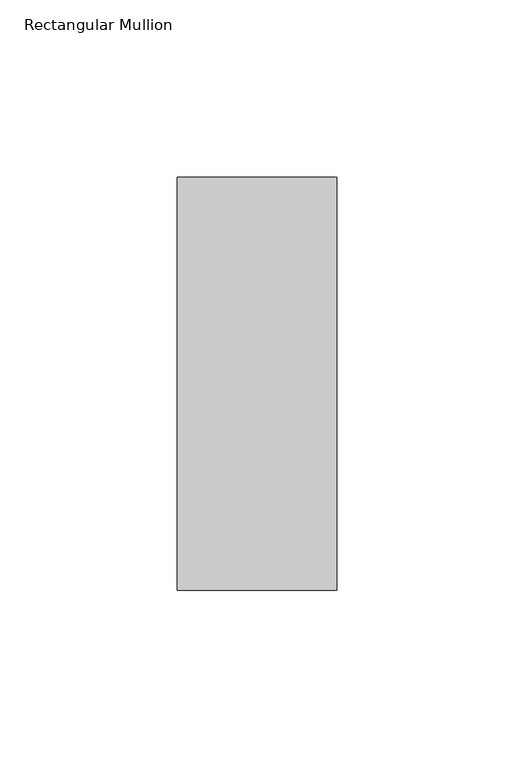
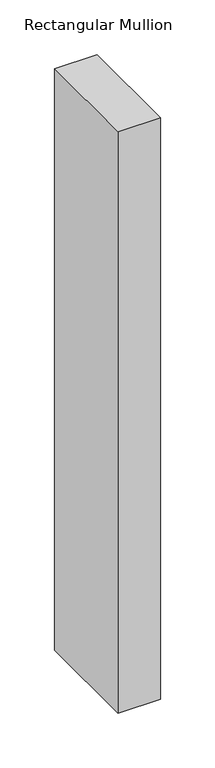
"""IFC4 building model written with IfcOpenShell, lengths in millimetres: member geometry, Rectangular Mullion."""

import ifcopenshell
import ifcopenshell.guid

model = None  # the IFC model being written
_history = None  # IfcOwnerHistory: only IFC2X3 demands one
_inside = {}  # id of a spatial element -> (the spatial element, [elements in it])
_under = {}  # id of a project, library or spatial element -> (it, [spatial elements below it])
_declared = {}  # id of a project -> (the project, [libraries it declares])
_typed = {}  # id of a type object -> (the type object, [elements of that type])
_made_of = {}  # id of a material, layer set ... -> (it, [elements and type objects made of it])


def new_model(schema):
    """Start an empty IFC model of exactly this schema.

    Asked for "IFC4X3", IfcOpenShell would pick the latest addendum, in which some entities
    have other attributes; the version numbers below select the first issue.
    IFC2X3 requires an IfcOwnerHistory on every rooted entity: one is made here for all.
    """
    global model, _history
    if schema == "IFC4X3":
        model = ifcopenshell.file(schema_version=(4, 3, 0, 0))
    else:
        model = ifcopenshell.file(schema=schema)
    _inside.clear()
    _under.clear()
    _declared.clear()
    _typed.clear()
    _made_of.clear()
    _history = None
    if model.schema == "IFC2X3":
        org = make("IfcOrganization", Name="unknown")
        user = make(
            "IfcPersonAndOrganization",
            ThePerson=make("IfcPerson", FamilyName="unknown"),
            TheOrganization=org,
        )
        app = make(
            "IfcApplication",
            ApplicationDeveloper=org,
            Version="unknown",
            ApplicationFullName="unknown",
            ApplicationIdentifier="unknown",
        )
        _history = make(
            "IfcOwnerHistory",
            OwningUser=user,
            OwningApplication=app,
            ChangeAction="ADDED",
            CreationDate=0,
        )
    return model


def make(cls, **values):
    """One entity of the class cls with the attributes given. An attribute that is None is left unset."""
    return model.create_entity(
        cls, **{name: value for name, value in values.items() if value is not None}
    )


def rooted(cls, **values):
    """An entity with a GlobalId (a new one), such as an element, a storey or a relation."""
    return make(cls, GlobalId=ifcopenshell.guid.new(), OwnerHistory=_history, **values)


def si_unit(unit_type, name, prefix=None):
    """IfcSIUnit, for example si_unit("LENGTHUNIT", "METRE", prefix="MILLI")."""
    return make("IfcSIUnit", UnitType=unit_type, Prefix=prefix, Name=name)


def assignment(units):
    """IfcUnitAssignment: the units of a project."""
    return None if units is None else make("IfcUnitAssignment", Units=units)


def point(xyz):
    """IfcCartesianPoint."""
    return None if xyz is None else make("IfcCartesianPoint", Coordinates=xyz)


def direction(xyz):
    """IfcDirection."""
    return None if xyz is None else make("IfcDirection", DirectionRatios=xyz)


def frame(location, z_axis=None, x_axis=None):
    """IfcAxis2Placement3D, a coordinate frame: its origin and axes. An axis left out is left unset."""
    return make(
        "IfcAxis2Placement3D",
        Location=point(location),
        Axis=direction(z_axis),
        RefDirection=direction(x_axis),
    )


def origin():
    """The frame at (0, 0, 0) with its axes left unset."""
    return frame((0.0, 0.0, 0.0))


def place(relative_to, where):
    """IfcLocalPlacement: puts the frame where relative to a parent placement (None: the world)."""
    return make(
        "IfcLocalPlacement", PlacementRelTo=relative_to, RelativePlacement=where
    )


def context(
    kind, dimensions, precision=None, world=None, true_north=None, identifier=None
):
    """IfcGeometricRepresentationContext, for example the 3D "Model" context."""
    return make(
        "IfcGeometricRepresentationContext",
        ContextIdentifier=identifier,
        ContextType=kind,
        CoordinateSpaceDimension=dimensions,
        Precision=precision,
        WorldCoordinateSystem=world,
        TrueNorth=true_north,
    )


def project(units=None, contexts=None):
    """IfcProject with its units and contexts."""
    return rooted(
        "IfcProject",
        Name="project",
        RepresentationContexts=contexts,
        UnitsInContext=assignment(units),
    )


def spatial(cls, under=None, at=None, **own):
    """A site, building, storey or space (cls), placed at a placement, below another one or the project."""
    s = rooted(cls, ObjectPlacement=at, **own)
    if under is not None:
        _under.setdefault(under.id(), (under, []))[1].append(s)
    return s


def polyline(points):
    """IfcPolyline through the points."""
    return make("IfcPolyline", Points=[point(p) for p in points])


def outline(outer, holes=None, kind="AREA"):
    """IfcArbitraryClosedProfileDef: a profile drawn as a closed curve; with holes, ...WithVoids."""
    if holes is None:
        return make("IfcArbitraryClosedProfileDef", ProfileType=kind, OuterCurve=outer)
    return make(
        "IfcArbitraryProfileDefWithVoids",
        ProfileType=kind,
        OuterCurve=outer,
        InnerCurves=holes,
    )


def extrude(swept, where, along, depth):
    """IfcExtrudedAreaSolid: the profile swept, set in the frame where, extruded along a direction by depth."""
    return make(
        "IfcExtrudedAreaSolid",
        SweptArea=swept,
        Position=where,
        ExtrudedDirection=direction(along),
        Depth=depth,
    )


def shape(context_of_items, identifier, shape_type, items):
    """IfcShapeRepresentation: the items that make up one representation, for example the "Body"."""
    return make(
        "IfcShapeRepresentation",
        ContextOfItems=context_of_items,
        RepresentationIdentifier=identifier,
        RepresentationType=shape_type,
        Items=items,
    )


def source(mapping_origin, context_of_items, identifier, shape_type, items):
    """IfcRepresentationMap: a shape defined once, which mapped items show again and again."""
    return make(
        "IfcRepresentationMap",
        MappingOrigin=mapping_origin,
        MappedRepresentation=shape(context_of_items, identifier, shape_type, items),
    )


def transform(
    local_origin,
    x_axis=None,
    y_axis=None,
    z_axis=None,
    scale=None,
    scale2=None,
    scale3=None,
    uniform=True,
):
    """IfcCartesianTransformationOperator3D, or its non-uniform kind. x_axis, y_axis, z_axis: its Axis1, 2, 3."""
    if uniform:
        return make(
            "IfcCartesianTransformationOperator3D",
            Axis1=direction(x_axis),
            Axis2=direction(y_axis),
            LocalOrigin=point(local_origin),
            Scale=scale,
            Axis3=direction(z_axis),
        )
    return make(
        "IfcCartesianTransformationOperator3DnonUniform",
        Axis1=direction(x_axis),
        Axis2=direction(y_axis),
        LocalOrigin=point(local_origin),
        Scale=scale,
        Axis3=direction(z_axis),
        Scale2=scale2,
        Scale3=scale3,
    )


def mapped(mapping_source, mapping_target):
    """IfcMappedItem: shows the shape of a source again, moved by a transform."""
    return make(
        "IfcMappedItem", MappingSource=mapping_source, MappingTarget=mapping_target
    )


def made_of(thing, what):
    """Note that an element or type object is made of a material, layer set ...; save() writes the relation."""
    if what is not None:
        _made_of.setdefault(what.id(), (what, []))[1].append(thing)
    return thing


def element(
    cls,
    number,
    at=None,
    inside=None,
    cuts=None,
    type_object=None,
    material=None,
    context=None,
    identifier="Body",
    shape_type=None,
    held_by="IfcProductDefinitionShape",
    body=None,
    shapes=None,
    **own,
):
    """One element of the class cls, such as IfcWall. Its Tag is "e" and its number.

    at: its placement. inside: the storey or other place that contains it. cuts: it is an
    opening in that element (IfcRelVoidsElement). A single representation is given by context,
    identifier, shape_type and body (its items); several are given by shapes. held_by: the class
    of the entity that holds the representations. save() writes the other relations.
    """
    e = rooted(cls, Tag="e%d" % number, ObjectPlacement=at, **own)
    if body is not None:
        shapes = [shape(context, identifier, shape_type, body)]
    if shapes is not None:
        e.Representation = make(held_by, Representations=shapes)
    if inside is not None:
        _inside.setdefault(inside.id(), (inside, []))[1].append(e)
    if cuts is not None:
        rooted(
            "IfcRelVoidsElement", RelatingBuildingElement=cuts, RelatedOpeningElement=e
        )
    if type_object is not None:
        _typed.setdefault(type_object.id(), (type_object, []))[1].append(e)
    return made_of(e, material)


def aggregate(whole, parts):
    """IfcRelAggregates: a whole, such as a stair, and the parts it consists of."""
    return rooted("IfcRelAggregates", RelatingObject=whole, RelatedObjects=parts)


def save(model, path):
    """Write the relations noted so far, then the file.

    IfcRelAggregates (storeys below a building ...), IfcRelContainedInSpatialStructure (elements
    in a storey), IfcRelDefinesByType, IfcRelAssociatesMaterial and IfcRelDeclares: one each for
    every whole, place, type object, material and project.
    """
    for whole, parts in _under.values():
        aggregate(whole, parts)
    for where, things in _inside.values():
        rooted(
            "IfcRelContainedInSpatialStructure",
            RelatedElements=things,
            RelatingStructure=where,
        )
    for kind, things in _typed.values():
        rooted("IfcRelDefinesByType", RelatedObjects=things, RelatingType=kind)
    for what, things in _made_of.values():
        rooted("IfcRelAssociatesMaterial", RelatedObjects=things, RelatingMaterial=what)
    for by, libraries in _declared.values():
        rooted("IfcRelDeclares", RelatingContext=by, RelatedDefinitions=libraries)
    model.write(path)


def rectangular_mullion_f221a59c(model_context):
    return source(origin(), model_context, "Body", "SweptSolid", [
        extrude(outline(polyline([(-45.0453125, 73.875), (0.0, 73.875), (0.0, -42.8257813), (-45.0453125, -42.8257813), (-45.0453125, 73.875)])), frame((0.0, 0.0, -650.478125), z_axis=(0.0, 0.0, 1.0), x_axis=(1.0, 0.0, 0.0)), (0.0, 0.0, 1.0), 650.478125),
    ])


if __name__ == "__main__":
    model = new_model("IFC4")
    model_context = context("Model", 3, world=origin())
    ifc_project = project(units=[si_unit("LENGTHUNIT", "METRE", prefix="MILLI")], contexts=[model_context])
    site = spatial("IfcSite", under=ifc_project)
    building = spatial("IfcBuilding", under=site)
    placement = place(None, origin())
    rectangular_mullion_shape = rectangular_mullion_f221a59c(model_context)
    element("IfcMember", 1, ObjectType="Rectangular Mullion", at=placement, inside=building, context=model_context, shape_type="MappedRepresentation", body=[
        mapped(rectangular_mullion_shape, transform((0.0, 0.0, 0.0), x_axis=(1.0, 0.0, 0.0), y_axis=(0.0, 1.0, 0.0), z_axis=(0.0, 0.0, 1.0))),
    ])
    save(model, "model.ifc")
